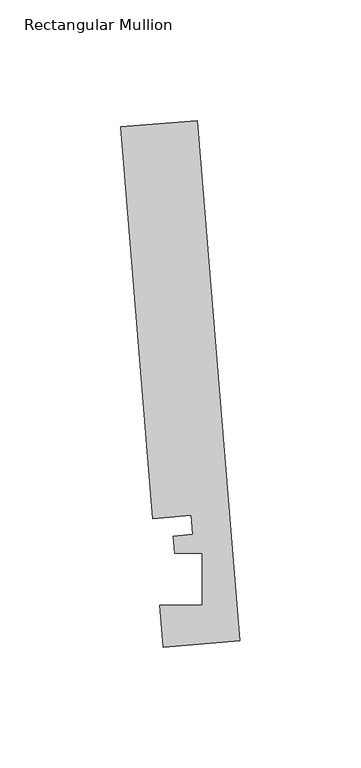
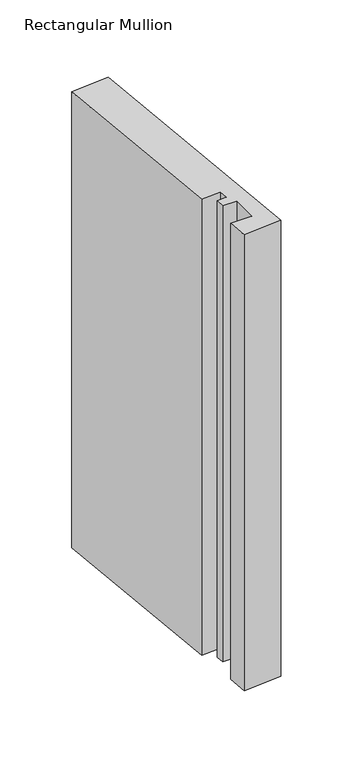
"""IFC4 building model written with IfcOpenShell, lengths in millimetres: member geometry, Rectangular Mullion."""

from ifc_helpers import new_model, si_unit, frame, origin, place, context, project, spatial, polyline, outline, extrude, source, transform, mapped, element, save


def rectangular_mullion_b9afd54f(model_context):
    return source(origin(), model_context, "Body", "SweptSolid", [
        extrude(outline(polyline([(-0.2190396, 2.6699364), (-31.8627302, 0.0739116), (-33.2772473, 17.315866), (-15.8506254, 17.315866), (-15.848851, 38.9474576), (-27.100463, 38.9474576), (-27.6861262, 46.0862742), (-19.7625461, 46.7363188), (-20.4084371, 54.6092691), (-36.2302824, 53.3112566), (-49.5364672, 215.5041572), (-17.8927766, 218.100182), (-0.2190396, 2.6699364)])), frame((0.0, 0.0, -397.3068687), z_axis=(0.0, 0.0, 1.0), x_axis=(1.0, 0.0, 0.0)), (0.0, 0.0, 1.0), 397.3068687),
    ])


if __name__ == "__main__":
    model = new_model("IFC4")
    model_context = context("Model", 3, world=origin())
    ifc_project = project(units=[si_unit("LENGTHUNIT", "METRE", prefix="MILLI")], contexts=[model_context])
    site = spatial("IfcSite", under=ifc_project)
    building = spatial("IfcBuilding", under=site)
    placement = place(None, origin())
    rectangular_mullion_shape = rectangular_mullion_b9afd54f(model_context)
    element("IfcMember", 1, ObjectType="Rectangular Mullion", at=placement, inside=building, context=model_context, shape_type="MappedRepresentation", body=[
        mapped(rectangular_mullion_shape, transform((0.0, 0.0, 0.0), x_axis=(1.0, 0.0, 0.0), y_axis=(0.0, 1.0, 0.0), z_axis=(0.0, 0.0, 1.0))),
    ])
    save(model, "model.ifc")
